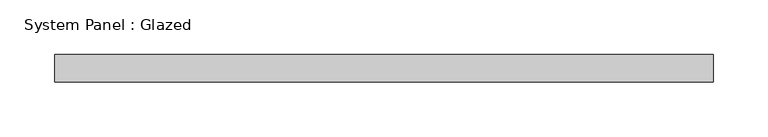
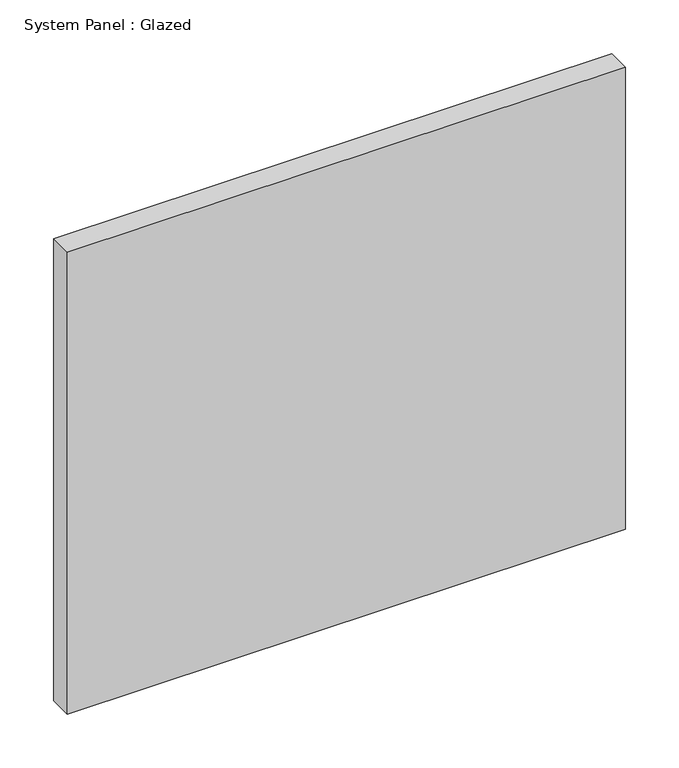
"""IFC4 building model written with IfcOpenShell, lengths in millimetres: plate geometry, System Panel : Glazed."""

from ifc_helpers import new_model, si_unit, origin, origin_with_axes, place, context, project, spatial, polyline, outline, extrude, source, transform, mapped, element, save


def system_panel_glazed_cc91eaa9(model_context):
    return source(origin(), model_context, "Body", "SweptSolid", [
        extrude(outline(polyline([(299.9998148, -49.5), (-299.9998148, -49.5), (-299.9998148, -24.5), (299.9998148, -24.5), (299.9998148, -49.5)])), origin_with_axes(), (0.0, 0.0, 1.0), 525.0),
    ])


if __name__ == "__main__":
    model = new_model("IFC4")
    model_context = context("Model", 3, world=origin())
    ifc_project = project(units=[si_unit("LENGTHUNIT", "METRE", prefix="MILLI")], contexts=[model_context])
    site = spatial("IfcSite", under=ifc_project)
    building = spatial("IfcBuilding", under=site)
    placement = place(None, origin())
    system_panel_glazed_shape = system_panel_glazed_cc91eaa9(model_context)
    element("IfcPlate", 1, ObjectType="System Panel : Glazed", at=placement, inside=building, context=model_context, shape_type="MappedRepresentation", body=[
        mapped(system_panel_glazed_shape, transform((0.0, 0.0, 0.0), x_axis=(1.0, 0.0, 0.0), y_axis=(0.0, 1.0, 0.0), z_axis=(0.0, 0.0, 1.0))),
    ])
    save(model, "model.ifc")
